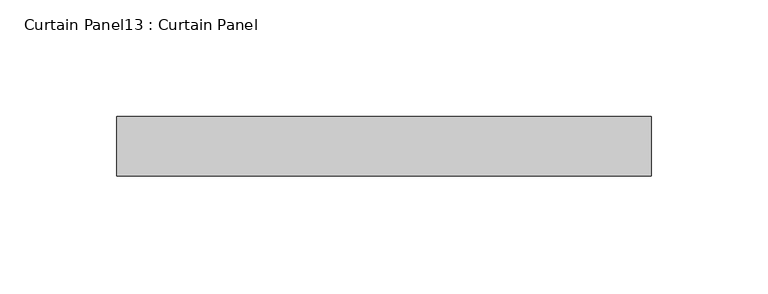
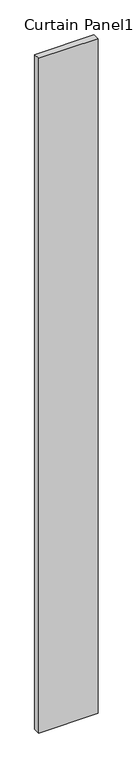
"""IFC4 building model written with IfcOpenShell, lengths in millimetres: plate geometry, Curtain Panel13 : Curtain Panel."""

from ifc_helpers import new_model, si_unit, frame, origin, place, context, project, spatial, polyline, outline, extrude, source, transform, mapped, element, save


def curtain_panel13_curtain_panel_e6cf471a(model_context):
    return source(origin(), model_context, "Body", "SweptSolid", [
        extrude(outline(polyline([(-4111.1985494, 1948.518951), (-4339.7985494, 1948.518951), (-4339.7985494, 1973.918951), (-4111.1985494, 1973.918951), (-4111.1985494, 1948.518951)])), frame((0.0, 0.0, -680.0975461), z_axis=(0.0, 0.0, 1.0), x_axis=(1.0, 0.0, 0.0)), (0.0, 0.0, 1.0), 2743.2),
    ])


if __name__ == "__main__":
    model = new_model("IFC4")
    model_context = context("Model", 3, world=origin())
    ifc_project = project(units=[si_unit("LENGTHUNIT", "METRE", prefix="MILLI")], contexts=[model_context])
    site = spatial("IfcSite", under=ifc_project)
    building = spatial("IfcBuilding", under=site)
    placement = place(None, origin())
    curtain_panel13_curtain_panel_shape = curtain_panel13_curtain_panel_e6cf471a(model_context)
    element("IfcPlate", 1, ObjectType="Curtain Panel13 : Curtain Panel", at=placement, inside=building, context=model_context, shape_type="MappedRepresentation", body=[
        mapped(curtain_panel13_curtain_panel_shape, transform((0.0, 0.0, 0.0), x_axis=(1.0, 0.0, 0.0), y_axis=(0.0, 1.0, 0.0), z_axis=(0.0, 0.0, 1.0))),
    ])
    save(model, "model.ifc")
